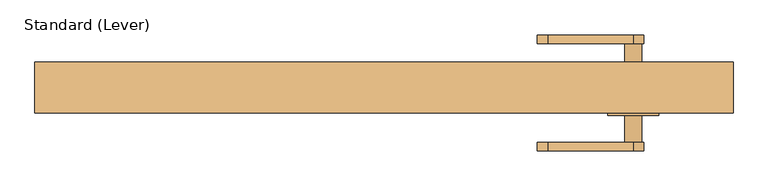
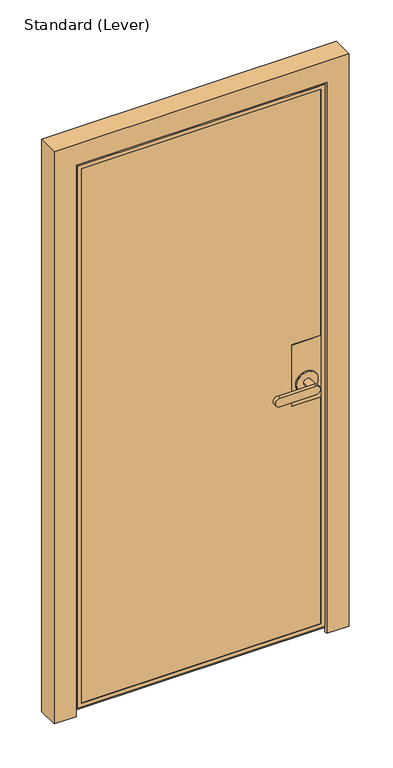
"""IFC4 building model written with IfcOpenShell, lengths in millimetres: door geometry, Standard (Lever)."""

from ifc_helpers import new_model, si_unit, frame, origin, place, context, project, spatial, polyline, circle_curve, outline, extrude, faceted_brep, source, transform, mapped, element, save
from ifc_brep_helpers import plane_surface, cylinder_surface, advanced_brep


def standard_lever_d5a2b323(model_context):
    return source(origin(), model_context, "Body", "SolidModel", [
        advanced_brep(
        [(422.275, 21.43125, 1117.6), (320.675, 21.43125, 1117.6), (320.675, -26.19375, 1117.6), (422.275, -26.19375, 1117.6), (422.275, 21.43125, 889.0), (422.275, -26.19375, 889.0), (320.675, -26.19375, 889.0), (320.675, 21.43125, 889.0), (409.575, 21.43125, 965.2), (333.375, 21.43125, 965.2), (384.175, 26.19375, 965.2), (358.775, 26.19375, 965.2), (358.775, 65.88125, 965.2), (384.175, 65.88125, 965.2), (409.575, 26.19375, 965.2), (333.375, 26.19375, 965.2), (371.475, 65.88125, 949.325), (371.475, 65.88125, 981.075), (244.475, 65.88125, 981.075), (244.475, 65.88125, 949.325), (371.475, 78.58125, 949.325), (244.475, 78.58125, 949.325), (244.475, 78.58125, 981.075), (371.475, 78.58125, 981.075)],
        [
            (0, 1),
            (1, 2),
            (2, 3),
            (3, 0),
            (4, 5),
            (5, 6),
            (6, 7),
            (7, 4),
            (3, 5),
            (4, 0),
            (2, 6),
            (1, 7),
            (8, 9, circle_curve(frame((371.475, 21.43125, 965.2), z_axis=(0.0, -1.0, 0.0), x_axis=(-1.0, 0.0, 0.0)), 38.1)),
            (9, 8, circle_curve(frame((371.475, 21.43125, 965.2), z_axis=(0.0, -1.0, 0.0), x_axis=(-1.0, 0.0, 0.0)), 38.1)),
            (10, 11, circle_curve(frame((371.475, 26.19375, 965.2), z_axis=(0.0, 1.0, 0.0), x_axis=(-1.0, 0.0, 0.0)), 12.7)),
            (11, 12),
            (12, 13, circle_curve(frame((371.475, 65.88125, 965.2), z_axis=(0.0, -1.0, 0.0), x_axis=(-1.0, 0.0, 0.0)), 12.7)),
            (13, 10),
            (13, 12, circle_curve(frame((371.475, 65.88125, 965.2), z_axis=(0.0, -1.0, 0.0), x_axis=(-1.0, 0.0, 0.0)), 12.7)),
            (11, 10, circle_curve(frame((371.475, 26.19375, 965.2), z_axis=(0.0, 1.0, 0.0), x_axis=(-1.0, 0.0, 0.0)), 12.7)),
            (14, 15, circle_curve(frame((371.475, 26.19375, 965.2), z_axis=(0.0, 1.0, 0.0), x_axis=(-1.0, 0.0, 0.0)), 38.1)),
            (15, 14, circle_curve(frame((371.475, 26.19375, 965.2), z_axis=(0.0, 1.0, 0.0), x_axis=(-1.0, 0.0, 0.0)), 38.1)),
            (14, 8),
            (9, 15),
            (16, 17, circle_curve(frame((371.475, 65.88125, 965.2), z_axis=(0.0, -1.0, 0.0), x_axis=(-1.0, 0.0, 0.0)), 15.875)),
            (17, 18),
            (18, 19, circle_curve(frame((244.475, 65.88125, 965.2), z_axis=(0.0, -1.0, 0.0), x_axis=(-1.0, 0.0, 0.0)), 15.875)),
            (19, 16),
            (20, 21),
            (21, 22, circle_curve(frame((244.475, 78.58125, 965.2), z_axis=(0.0, 1.0, 0.0), x_axis=(-1.0, 0.0, 0.0)), 15.875)),
            (22, 23),
            (23, 20, circle_curve(frame((371.475, 78.58125, 965.2), z_axis=(0.0, 1.0, 0.0), x_axis=(-1.0, 0.0, 0.0)), 15.875)),
            (19, 21),
            (20, 16),
            (18, 22),
            (17, 23),
        ],
        [
            plane_surface(frame((422.275, 88.6380478, 1117.6), z_axis=(0.0, 0.0, 1.0), x_axis=(0.0, -1.0, 0.0))),
            plane_surface(frame((422.275, 88.6380478, 889.0), z_axis=(0.0, 0.0, -1.0), x_axis=(0.0, 1.0, 0.0))),
            plane_surface(frame((422.275, 21.43125, 1117.6), z_axis=(1.0, 0.0, 0.0), x_axis=(0.0, 0.0, -1.0))),
            plane_surface(frame((422.275, -26.19375, 1117.6), z_axis=(0.0, -1.0, 0.0), x_axis=(0.0, 0.0, -1.0))),
            plane_surface(frame((320.675, -26.19375, 1117.6), z_axis=(-1.0, 0.0, 0.0), x_axis=(0.0, 0.0, -1.0))),
            plane_surface(frame((320.675, 21.43125, 1117.6), z_axis=(0.0, 1.0, 0.0), x_axis=(0.0, 0.0, -1.0))),
            cylinder_surface(frame((371.475, 65.88125, 965.2), z_axis=(0.0, -1.0, 0.0), x_axis=(-1.0, 0.0, 0.0)), 12.7),
            plane_surface(frame((333.375, 26.19375, 965.2), z_axis=(0.0, 1.0, 0.0), x_axis=(0.0, 0.0, -1.0))),
            cylinder_surface(frame((371.475, 26.19375, 965.2), z_axis=(0.0, -1.0, 0.0), x_axis=(-1.0, 0.0, 0.0)), 38.1),
            plane_surface(frame((371.475, 65.88125, 949.325), z_axis=(0.0, -1.0, 0.0), x_axis=(-1.0, 0.0, 0.0))),
            plane_surface(frame((371.475, 78.58125, 949.325), z_axis=(0.0, 1.0, 0.0), x_axis=(1.0, 0.0, 0.0))),
            plane_surface(frame((371.475, 65.88125, 949.325), z_axis=(0.0, 0.0, -1.0), x_axis=(0.0, 1.0, 0.0))),
            cylinder_surface(frame((244.475, 78.58125, 965.2), z_axis=(0.0, -1.0, 0.0), x_axis=(-1.0, 0.0, 0.0)), 15.875),
            plane_surface(frame((244.475, 65.88125, 981.075), z_axis=(0.0, 0.0, 1.0), x_axis=(0.0, 1.0, 0.0))),
            cylinder_surface(frame((371.475, 78.58125, 965.2), z_axis=(0.0, -1.0, 0.0), x_axis=(-1.0, 0.0, 0.0)), 15.875),
        ],
        [
            (0, [[1, 2, 3, 4]]),
            (1, [[5, 6, 7, 8]]),
            (2, [[9, -5, 10, -4]]),
            (3, [[11, -6, -9, -3]]),
            (4, [[12, -7, -11, -2]]),
            (5, [[-10, -8, -12, -1], [13, 14]]),
            (6, [[15, 16, 17, 18]]),
            (6, [[19, -16, 20, -18]]),
            (7, [[21, 22], [-20, -15]]),
            (8, [[23, -14, 24, -21]]),
            (8, [[-24, -13, -23, -22]]),
            (9, [[25, 26, 27, 28], [-19, -17]]),
            (10, [[29, 30, 31, 32]]),
            (11, [[33, -29, 34, -28]]),
            (12, [[35, -30, -33, -27]]),
            (13, [[36, -31, -35, -26]]),
            (14, [[-34, -32, -36, -25]]),
        ],
    ),
        advanced_brep(
        [(422.275, -35.71875, 1117.6), (320.675, -35.71875, 1117.6), (320.675, -37.30625, 1117.6), (422.275, -37.30625, 1117.6), (422.275, -35.71875, 889.0), (422.275, -37.30625, 889.0), (320.675, -37.30625, 889.0), (320.675, -35.71875, 889.0), (409.575, -42.06875, 965.2), (333.375, -42.06875, 965.2), (358.775, -42.06875, 965.2), (384.175, -42.06875, 965.2), (333.375, -37.30625, 965.2), (409.575, -37.30625, 965.2), (384.175, -81.75625, 965.2), (358.775, -81.75625, 965.2), (244.475, -94.45625, 949.325), (371.475, -94.45625, 949.325), (371.475, -94.45625, 981.075), (244.475, -94.45625, 981.075), (244.475, -81.75625, 949.325), (244.475, -81.75625, 981.075), (371.475, -81.75625, 981.075), (371.475, -81.75625, 949.325)],
        [
            (0, 1),
            (1, 2),
            (2, 3),
            (3, 0),
            (4, 5),
            (5, 6),
            (6, 7),
            (7, 4),
            (3, 5),
            (4, 0),
            (1, 7),
            (6, 2),
            (8, 9, circle_curve(frame((371.475, -42.06875, 965.2), z_axis=(0.0, -1.0, 0.0), x_axis=(-1.0, 0.0, 0.0)), 38.1)),
            (9, 8, circle_curve(frame((371.475, -42.06875, 965.2), z_axis=(0.0, -1.0, 0.0), x_axis=(-1.0, 0.0, 0.0)), 38.1)),
            (10, 11, circle_curve(frame((371.475, -42.06875, 965.2), z_axis=(0.0, 1.0, 0.0), x_axis=(-1.0, 0.0, 0.0)), 12.7)),
            (11, 10, circle_curve(frame((371.475, -42.06875, 965.2), z_axis=(0.0, 1.0, 0.0), x_axis=(-1.0, 0.0, 0.0)), 12.7)),
            (9, 12),
            (12, 13, circle_curve(frame((371.475, -37.30625, 965.2), z_axis=(0.0, -1.0, 0.0), x_axis=(-1.0, 0.0, 0.0)), 38.1)),
            (13, 8),
            (13, 12, circle_curve(frame((371.475, -37.30625, 965.2), z_axis=(0.0, -1.0, 0.0), x_axis=(-1.0, 0.0, 0.0)), 38.1)),
            (14, 15, circle_curve(frame((371.475, -81.75625, 965.2), z_axis=(0.0, 1.0, 0.0), x_axis=(-1.0, 0.0, 0.0)), 12.7)),
            (15, 10),
            (11, 14),
            (15, 14, circle_curve(frame((371.475, -81.75625, 965.2), z_axis=(0.0, 1.0, 0.0), x_axis=(-1.0, 0.0, 0.0)), 12.7)),
            (16, 17),
            (17, 18, circle_curve(frame((371.475, -94.45625, 965.2), z_axis=(0.0, -1.0, 0.0), x_axis=(-1.0, 0.0, 0.0)), 15.875)),
            (18, 19),
            (19, 16, circle_curve(frame((244.475, -94.45625, 965.2), z_axis=(0.0, -1.0, 0.0), x_axis=(-1.0, 0.0, 0.0)), 15.875)),
            (20, 21, circle_curve(frame((244.475, -81.75625, 965.2), z_axis=(0.0, 1.0, 0.0), x_axis=(-1.0, 0.0, 0.0)), 15.875)),
            (21, 22),
            (22, 23, circle_curve(frame((371.475, -81.75625, 965.2), z_axis=(0.0, 1.0, 0.0), x_axis=(-1.0, 0.0, 0.0)), 15.875)),
            (23, 20),
            (19, 21),
            (20, 16),
            (18, 22),
            (17, 23),
        ],
        [
            plane_surface(frame((422.275, 88.6380478, 1117.6), z_axis=(0.0, 0.0, 1.0), x_axis=(0.0, -1.0, 0.0))),
            plane_surface(frame((422.275, 88.6380478, 889.0), z_axis=(0.0, 0.0, -1.0), x_axis=(0.0, 1.0, 0.0))),
            plane_surface(frame((422.275, -35.71875, 1117.6), z_axis=(1.0, 0.0, 0.0), x_axis=(0.0, 0.0, -1.0))),
            plane_surface(frame((320.675, -37.30625, 1117.6), z_axis=(-1.0, 0.0, 0.0), x_axis=(0.0, 0.0, -1.0))),
            plane_surface(frame((320.675, -35.71875, 1117.6), z_axis=(0.0, 1.0, 0.0), x_axis=(0.0, 0.0, -1.0))),
            plane_surface(frame((333.375, -42.06875, 965.2), z_axis=(0.0, -1.0, 0.0), x_axis=(0.0, 0.0, 1.0))),
            cylinder_surface(frame((371.475, -37.30625, 965.2), z_axis=(0.0, -1.0, 0.0), x_axis=(-1.0, 0.0, 0.0)), 38.1),
            cylinder_surface(frame((371.475, -38.89375, 965.2), z_axis=(0.0, -1.0, 0.0), x_axis=(-1.0, 0.0, 0.0)), 12.7),
            plane_surface(frame((228.6, -94.45625, 965.2), z_axis=(0.0, -1.0, 0.0), x_axis=(0.0, 0.0, 1.0))),
            plane_surface(frame((228.6, -81.75625, 965.2), z_axis=(0.0, 1.0, 0.0), x_axis=(0.0, 0.0, -1.0))),
            cylinder_surface(frame((244.475, -81.75625, 965.2), z_axis=(0.0, -1.0, 0.0), x_axis=(-1.0, 0.0, 0.0)), 15.875),
            plane_surface(frame((244.475, -94.45625, 981.075), z_axis=(0.0, 0.0, 1.0), x_axis=(0.0, 1.0, 0.0))),
            cylinder_surface(frame((371.475, -81.75625, 965.2), z_axis=(0.0, -1.0, 0.0), x_axis=(-1.0, 0.0, 0.0)), 15.875),
            plane_surface(frame((371.475, -94.45625, 949.325), z_axis=(0.0, 0.0, -1.0), x_axis=(0.0, 1.0, 0.0))),
            plane_surface(frame((422.275, -37.30625, 1117.6), z_axis=(0.0, -1.0, 0.0), x_axis=(0.0, 0.0, -1.0))),
        ],
        [
            (0, [[1, 2, 3, 4]]),
            (1, [[5, 6, 7, 8]]),
            (2, [[9, -5, 10, -4]]),
            (3, [[11, -7, 12, -2]]),
            (4, [[-10, -8, -11, -1]]),
            (5, [[13, 14], [15, 16]]),
            (6, [[17, 18, 19, -14]]),
            (6, [[-19, 20, -17, -13]]),
            (7, [[21, 22, -16, 23]]),
            (7, [[-15, -22, 24, -23]]),
            (8, [[25, 26, 27, 28]]),
            (9, [[29, 30, 31, 32], [-24, -21]]),
            (10, [[33, -29, 34, -28]]),
            (11, [[35, -30, -33, -27]]),
            (12, [[36, -31, -35, -26]]),
            (13, [[-34, -32, -36, -25]]),
            (14, [[-12, -6, -9, -3], [-20, -18]]),
        ],
    ),
        extrude(outline(polyline([(434.975, -35.71875), (-434.975, -35.71875), (-434.975, -26.19375), (434.975, -26.19375), (434.975, -35.71875)])), frame((0.0, 0.0, 30.1625), z_axis=(0.0, 0.0, 1.0), x_axis=(1.0, 0.0, 0.0)), (0.0, 0.0, 1.0), 2017.7125),
        faceted_brep([(-422.275, -26.19375, 2035.175), (-422.275, -26.19375, 42.8625), (-422.275, 21.43125, 42.8625), (-422.275, 21.43125, 2035.175), (-452.4375, 21.43125, 12.7), (-452.4375, 21.43125, 2065.3375), (452.4375, 21.43125, 2065.3375), (452.4375, 21.43125, 12.7), (422.275, 21.43125, 42.8625), (422.275, 21.43125, 2035.175), (422.275, -26.19375, 42.8625), (434.975, -26.19375, 30.1625), (434.975, -26.19375, 2047.875), (-434.975, -26.19375, 2047.875), (-434.975, -26.19375, 30.1625), (422.275, -26.19375, 2035.175), (-434.975, -35.71875, 2047.875), (-434.975, -35.71875, 30.1625), (434.975, -35.71875, 30.1625), (434.975, -35.71875, 2047.875), (422.275, -35.71875, 42.8625), (422.275, -35.71875, 2035.175), (-422.275, -35.71875, 2035.175), (-422.275, -35.71875, 42.8625), (-422.275, -37.30625, 2035.175), (-422.275, -37.30625, 42.8625), (422.275, -37.30625, 42.8625), (436.5625, -37.30625, 28.575), (436.5625, -37.30625, 2049.4625), (-436.5625, -37.30625, 2049.4625), (-436.5625, -37.30625, 28.575), (422.275, -37.30625, 2035.175), (-436.5625, -23.01875, 2049.4625), (-436.5625, -23.01875, 28.575), (436.5625, -23.01875, 28.575), (452.4375, -23.01875, 12.7), (452.4375, -23.01875, 2065.3375), (-452.4375, -23.01875, 2065.3375), (-452.4375, -23.01875, 12.7), (436.5625, -23.01875, 2049.4625)], [[[0, 1, 2, 3]], [[4, 5, 6, 7], [8, 9, 3, 2]], [[1, 10, 8, 2]], [[11, 12, 13, 14], [1, 0, 15, 10]], [[16, 17, 14, 13]], [[17, 18, 11, 14]], [[17, 16, 19, 18], [20, 21, 22, 23]], [[24, 25, 23, 22]], [[25, 26, 20, 23]], [[27, 28, 29, 30], [25, 24, 31, 26]], [[32, 33, 30, 29]], [[33, 34, 27, 30]], [[35, 36, 37, 38], [33, 32, 39, 34]], [[5, 4, 38, 37]], [[4, 7, 35, 38]], [[10, 15, 9, 8]], [[18, 19, 12, 11]], [[26, 31, 21, 20]], [[34, 39, 28, 27]], [[7, 6, 36, 35]], [[15, 0, 3, 9]], [[19, 16, 13, 12]], [[31, 24, 22, 21]], [[39, 32, 29, 28]], [[6, 5, 37, 36]]]),
        faceted_brep([(457.2, -26.9875, 0.0), (457.2, 38.1, 0.0), (520.7, 38.1, 0.0), (520.7, -38.1, 0.0), (442.9125, -38.1, 0.0), (442.9125, -26.9875, 0.0), (442.9125, -26.9875, 2055.8125), (-442.9125, -26.9875, 2055.8125), (-442.9125, -26.9875, 0.0), (-457.2, -26.9875, 0.0), (-457.2, -26.9875, 2070.1), (457.2, -26.9875, 2070.1), (442.9125, -38.1, 2055.8125), (520.7, -38.1, 2133.6), (-520.7, -38.1, 2133.6), (-520.7, -38.1, 0.0), (-442.9125, -38.1, 0.0), (-442.9125, -38.1, 2055.8125), (520.7, 38.1, 2133.6), (457.2, 38.1, 2070.1), (-457.2, 38.1, 2070.1), (-457.2, 38.1, 0.0), (-520.7, 38.1, 0.0), (-520.7, 38.1, 2133.6)], [[[0, 1, 2, 3, 4, 5]], [[5, 6, 7, 8, 9, 10, 11, 0]], [[4, 12, 6, 5]], [[3, 13, 14, 15, 16, 17, 12, 4]], [[2, 18, 13, 3]], [[1, 19, 20, 21, 22, 23, 18, 2]], [[0, 11, 19, 1]], [[9, 8, 16, 15, 22, 21]], [[15, 14, 23, 22]], [[21, 20, 10, 9]], [[8, 7, 17, 16]], [[23, 14, 13, 18]], [[10, 20, 19, 11]], [[12, 17, 7, 6]]]),
    ])


if __name__ == "__main__":
    model = new_model("IFC4")
    model_context = context("Model", 3, world=origin())
    ifc_project = project(units=[si_unit("LENGTHUNIT", "METRE", prefix="MILLI")], contexts=[model_context])
    site = spatial("IfcSite", under=ifc_project)
    building = spatial("IfcBuilding", under=site)
    placement = place(None, origin())
    standard_lever_shape = standard_lever_d5a2b323(model_context)
    element("IfcDoor", 1, ObjectType="Standard (Lever)", at=placement, inside=building, context=model_context, shape_type="MappedRepresentation", body=[
        mapped(standard_lever_shape, transform((0.0, 0.0, 0.0), x_axis=(1.0, 0.0, 0.0), y_axis=(0.0, 1.0, 0.0), z_axis=(0.0, 0.0, 1.0))),
    ])
    save(model, "model.ifc")
